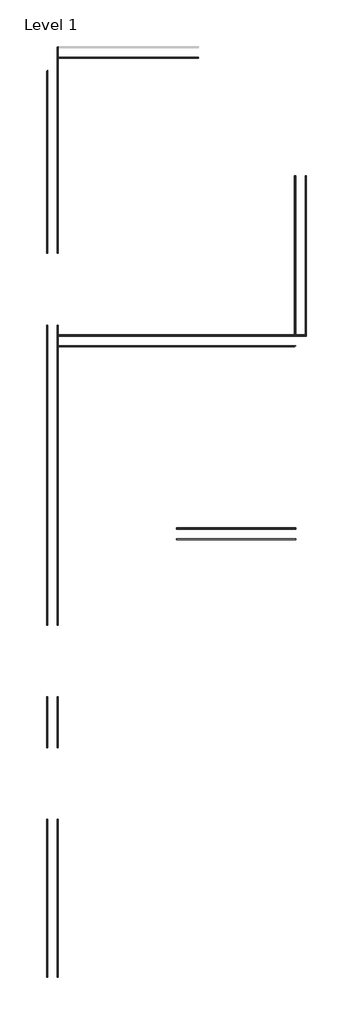
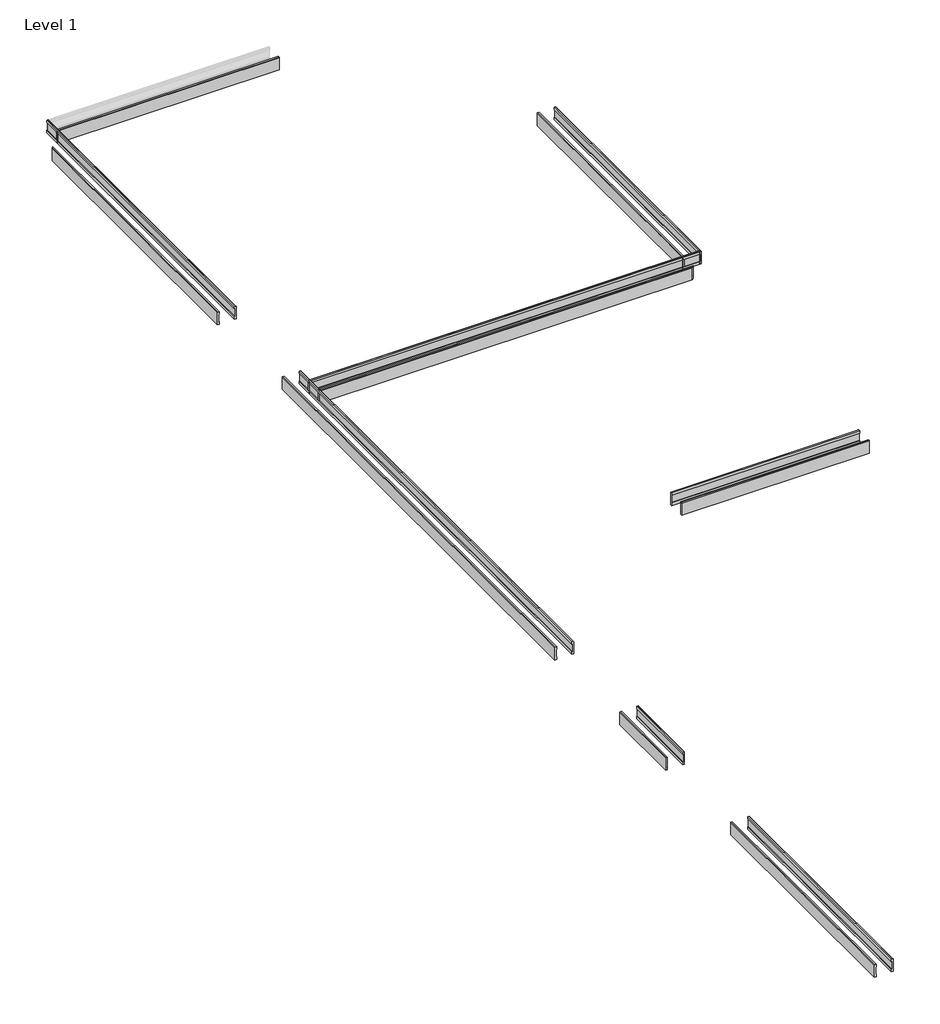
# One storey, part 30 of 51: 9 proxies.
"""IFC4 building model written with IfcOpenShell, lengths in millimetres."""

from ifc_helpers import new_model, si_unit, point, frame, frame_2d, origin, place, context, project, spatial, polyline, circle_curve, ellipse_curve, trimmed, segment, composite_curve, outline, extrude, element, save
from ifc_brep_helpers import plane_surface, cylinder_surface, advanced_brep

model = new_model("IFC4")

# Units and contexts
model_context = context("Model", 3, world=origin())
ifc_project = project(units=[si_unit("LENGTHUNIT", "METRE", prefix="MILLI")], contexts=[model_context])

# Site, building, storey
site = spatial("IfcSite", under=ifc_project)
building = spatial("IfcBuilding", under=site)
storey = spatial("IfcBuildingStorey", under=building, Name="Level 1", Elevation=0.0)

# Proxies
placement = place(None, origin())
element("IfcBuildingElementProxy", 1, Name="Wall Sweeps", at=placement, inside=storey, context=model_context, shape_type="AdvancedBrep", body=[
    advanced_brep(
    [(-27647.421516, -17232.9301669, 22.1801656), (-27644.0318125, -17232.9301669, 23.915644), (-27644.0318125, -17232.9301669, 85.828144), (-27647.421516, -17232.9301669, 87.5505545), (-27647.421516, -17232.9301669, 107.95), (-27636.309016, -17232.9301669, 107.95), (-27633.134016, -17232.9301669, 104.775), (-27633.134016, -17232.9301669, 0.0), (-27647.421516, -17232.9301669, 0.0), (-27647.421516, -17879.0426669, 22.1801656), (-27647.421516, -17879.0426669, 0.0), (-27633.134016, -17879.0426669, 0.0), (-27633.134016, -17879.0426669, 104.775), (-27636.309016, -17879.0426669, 107.95), (-27647.421516, -17879.0426669, 107.95), (-27647.421516, -17879.0426669, 87.5505545), (-27644.0318125, -17879.0426669, 85.828144), (-27644.0318125, -17879.0426669, 23.915644)],
    [
        (0, 1),
        (1, 2),
        (2, 3),
        (3, 4),
        (4, 5),
        (5, 6, circle_curve(frame((-27636.309016, -17232.9301669, 104.775), z_axis=(0.0, 1.0, 0.0), x_axis=(1.0, 0.0, 0.0)), 3.175)),
        (6, 7),
        (7, 8),
        (8, 0),
        (9, 10),
        (10, 11),
        (11, 12),
        (12, 13, circle_curve(frame((-27636.309016, -17879.0426669, 104.775), z_axis=(0.0, -1.0, 0.0), x_axis=(1.0, 0.0, 0.0)), 3.175)),
        (13, 14),
        (14, 15),
        (15, 16),
        (16, 17),
        (17, 9),
        (0, 9),
        (17, 1),
        (16, 2),
        (15, 3),
        (14, 4),
        (13, 5),
        (12, 6),
        (11, 7),
        (10, 8),
    ],
    [
        plane_surface(frame((-27755.9419756, -17232.9301669, 0.0), z_axis=(0.0, 1.0, 0.0), x_axis=(0.0, 0.0, -1.0))),
        plane_surface(frame((-27755.9419756, -17879.0426669, 0.0), z_axis=(0.0, -1.0, 0.0), x_axis=(0.0, 0.0, -1.0))),
        plane_surface(frame((-27647.421516, -17232.9301669, 22.1801656), z_axis=(-0.4557279043188856, 0.0, 0.8901191365346083), x_axis=(0.0, -1.0, 0.0))),
        plane_surface(frame((-27644.0318125, -17232.9301669, 23.915644), z_axis=(-1.0, 0.0, 0.0), x_axis=(0.0, -1.0, 0.0))),
        plane_surface(frame((-27644.0318125, -17232.9301669, 85.828144), z_axis=(-0.4530026868357818, 0.0, -0.8915091506650745), x_axis=(0.0, -1.0, 0.0))),
        plane_surface(frame((-27647.421516, -17232.9301669, 87.5505545), z_axis=(-1.0, 0.0, 0.0), x_axis=(0.0, -1.0, 0.0))),
        plane_surface(frame((-27647.421516, -17232.9301669, 107.95), z_axis=(0.0, 0.0, 1.0), x_axis=(0.0, -1.0, 0.0))),
        cylinder_surface(frame((-27636.309016, -17232.9301669, 104.775), z_axis=(0.0, 1.0, 0.0), x_axis=(1.0, 0.0, 0.0)), 3.175),
        plane_surface(frame((-27633.134016, -17232.9301669, 104.775), z_axis=(1.0, 0.0, 0.0), x_axis=(0.0, -1.0, 0.0))),
        plane_surface(frame((-27633.134016, -17232.9301669, 0.0), z_axis=(0.0, 0.0, -1.0), x_axis=(0.0, -1.0, 0.0))),
        plane_surface(frame((-27647.421516, -17232.9301669, 0.0), z_axis=(-1.0, 0.0, 0.0), x_axis=(0.0, -1.0, 0.0))),
    ],
    [
        (0, [[1, 2, 3, 4, 5, 6, 7, 8, 9]]),
        (1, [[10, 11, 12, 13, 14, 15, 16, 17, 18]]),
        (2, [[-1, 19, -18, 20]]),
        (3, [[-2, -20, -17, 21]]),
        (4, [[-3, -21, -16, 22]]),
        (5, [[-4, -22, -15, 23]]),
        (6, [[-5, -23, -14, 24]]),
        (7, [[-6, -24, -13, 25]]),
        (8, [[-7, -25, -12, 26]]),
        (9, [[-8, -26, -11, 27]]),
        (10, [[-9, -27, -10, -19]]),
    ],
),
    advanced_brep(
    [(-27647.421516, -18793.4426669, 22.1801656), (-27644.0318125, -18793.4426669, 23.915644), (-27644.0318125, -18793.4426669, 85.828144), (-27647.421516, -18793.4426669, 87.5505545), (-27647.421516, -18793.4426669, 107.95), (-27636.309016, -18793.4426669, 107.95), (-27633.134016, -18793.4426669, 104.775), (-27633.134016, -18793.4426669, 0.0), (-27647.421516, -18793.4426669, 0.0), (-27647.421516, -20814.3301669, 22.1801656), (-27647.421516, -20814.3301669, 0.0), (-27633.134016, -20814.3301669, 0.0), (-27633.134016, -20814.3301669, 104.775), (-27636.309016, -20814.3301669, 107.95), (-27647.421516, -20814.3301669, 107.95), (-27647.421516, -20814.3301669, 87.5505545), (-27644.0318125, -20814.3301669, 85.828144), (-27644.0318125, -20814.3301669, 23.915644)],
    [
        (0, 1),
        (1, 2),
        (2, 3),
        (3, 4),
        (4, 5),
        (5, 6, circle_curve(frame((-27636.309016, -18793.4426669, 104.775), z_axis=(0.0, 1.0, 0.0), x_axis=(1.0, 0.0, 0.0)), 3.175)),
        (6, 7),
        (7, 8),
        (8, 0),
        (9, 10),
        (10, 11),
        (11, 12),
        (12, 13, circle_curve(frame((-27636.309016, -20814.3301669, 104.775), z_axis=(0.0, -1.0, 0.0), x_axis=(1.0, 0.0, 0.0)), 3.175)),
        (13, 14),
        (14, 15),
        (15, 16),
        (16, 17),
        (17, 9),
        (0, 9),
        (17, 1),
        (16, 2),
        (15, 3),
        (14, 4),
        (13, 5),
        (12, 6),
        (11, 7),
        (10, 8),
    ],
    [
        plane_surface(frame((-27755.9419756, -18793.4426669, 0.0), z_axis=(0.0, 1.0, 0.0), x_axis=(0.0, 0.0, -1.0))),
        plane_surface(frame((-27755.9419756, -20814.3301669, 0.0), z_axis=(0.0, -1.0, 0.0), x_axis=(0.0, 0.0, -1.0))),
        plane_surface(frame((-27647.421516, -18793.4426669, 22.1801656), z_axis=(-0.4557279043188856, 0.0, 0.8901191365346083), x_axis=(0.0, -1.0, 0.0))),
        plane_surface(frame((-27644.0318125, -18793.4426669, 23.915644), z_axis=(-1.0, 0.0, 0.0), x_axis=(0.0, -1.0, 0.0))),
        plane_surface(frame((-27644.0318125, -18793.4426669, 85.828144), z_axis=(-0.4530026868357818, 0.0, -0.8915091506650745), x_axis=(0.0, -1.0, 0.0))),
        plane_surface(frame((-27647.421516, -18793.4426669, 87.5505545), z_axis=(-1.0, 0.0, 0.0), x_axis=(0.0, -1.0, 0.0))),
        plane_surface(frame((-27647.421516, -18793.4426669, 107.95), z_axis=(0.0, 0.0, 1.0), x_axis=(0.0, -1.0, 0.0))),
        cylinder_surface(frame((-27636.309016, -18793.4426669, 104.775), z_axis=(0.0, 1.0, 0.0), x_axis=(1.0, 0.0, 0.0)), 3.175),
        plane_surface(frame((-27633.134016, -18793.4426669, 104.775), z_axis=(1.0, 0.0, 0.0), x_axis=(0.0, -1.0, 0.0))),
        plane_surface(frame((-27633.134016, -18793.4426669, 0.0), z_axis=(0.0, 0.0, -1.0), x_axis=(0.0, -1.0, 0.0))),
        plane_surface(frame((-27647.421516, -18793.4426669, 0.0), z_axis=(-1.0, 0.0, 0.0), x_axis=(0.0, -1.0, 0.0))),
    ],
    [
        (0, [[1, 2, 3, 4, 5, 6, 7, 8, 9]]),
        (1, [[10, 11, 12, 13, 14, 15, 16, 17, 18]]),
        (2, [[-1, 19, -18, 20]]),
        (3, [[-2, -20, -17, 21]]),
        (4, [[-3, -21, -16, 22]]),
        (5, [[-4, -22, -15, 23]]),
        (6, [[-5, -23, -14, 24]]),
        (7, [[-6, -24, -13, 25]]),
        (8, [[-7, -25, -12, 26]]),
        (9, [[-8, -26, -11, 27]]),
        (10, [[-9, -27, -10, -19]]),
    ],
),
    advanced_brep(
    [(-27647.421516, -12483.1301669, 22.1801656), (-27644.0318125, -12483.1301669, 23.915644), (-27644.0318125, -12483.1301669, 85.828144), (-27647.421516, -12483.1301669, 87.5505545), (-27647.421516, -12483.1301669, 107.95), (-27636.309016, -12483.1301669, 107.95), (-27633.134016, -12483.1301669, 104.775), (-27633.134016, -12483.1301669, 0.0), (-27647.421516, -12483.1301669, 0.0), (-27647.421516, -16318.5301669, 22.1801656), (-27647.421516, -16318.5301669, 0.0), (-27633.134016, -16318.5301669, 0.0), (-27633.134016, -16318.5301669, 104.775), (-27636.309016, -16318.5301669, 107.95), (-27647.421516, -16318.5301669, 107.95), (-27647.421516, -16318.5301669, 87.5505545), (-27644.0318125, -16318.5301669, 85.828144), (-27644.0318125, -16318.5301669, 23.915644)],
    [
        (0, 1),
        (1, 2),
        (2, 3),
        (3, 4),
        (4, 5),
        (5, 6, circle_curve(frame((-27636.309016, -12483.1301669, 104.775), z_axis=(0.0, 1.0, 0.0), x_axis=(1.0, 0.0, 0.0)), 3.175)),
        (6, 7),
        (7, 8),
        (8, 0),
        (9, 10),
        (10, 11),
        (11, 12),
        (12, 13, circle_curve(frame((-27636.309016, -16318.5301669, 104.775), z_axis=(0.0, -1.0, 0.0), x_axis=(1.0, 0.0, 0.0)), 3.175)),
        (13, 14),
        (14, 15),
        (15, 16),
        (16, 17),
        (17, 9),
        (0, 9),
        (17, 1),
        (16, 2),
        (15, 3),
        (14, 4),
        (13, 5),
        (12, 6),
        (11, 7),
        (10, 8),
    ],
    [
        plane_surface(frame((-27755.9419756, -12483.1301669, 0.0), z_axis=(0.0, 1.0, 0.0), x_axis=(0.0, 0.0, -1.0))),
        plane_surface(frame((-27755.9419756, -16318.5301669, 0.0), z_axis=(0.0, -1.0, 0.0), x_axis=(0.0, 0.0, -1.0))),
        plane_surface(frame((-27647.421516, -12483.1301669, 22.1801656), z_axis=(-0.4557279043188856, 0.0, 0.8901191365346083), x_axis=(0.0, -1.0, 0.0))),
        plane_surface(frame((-27644.0318125, -12483.1301669, 23.915644), z_axis=(-1.0, 0.0, 0.0), x_axis=(0.0, -1.0, 0.0))),
        plane_surface(frame((-27644.0318125, -12483.1301669, 85.828144), z_axis=(-0.4530026868357818, 0.0, -0.8915091506650745), x_axis=(0.0, -1.0, 0.0))),
        plane_surface(frame((-27647.421516, -12483.1301669, 87.5505545), z_axis=(-1.0, 0.0, 0.0), x_axis=(0.0, -1.0, 0.0))),
        plane_surface(frame((-27647.421516, -12483.1301669, 107.95), z_axis=(0.0, 0.0, 1.0), x_axis=(0.0, -1.0, 0.0))),
        cylinder_surface(frame((-27636.309016, -12483.1301669, 104.775), z_axis=(0.0, 1.0, 0.0), x_axis=(1.0, 0.0, 0.0)), 3.175),
        plane_surface(frame((-27633.134016, -12483.1301669, 104.775), z_axis=(1.0, 0.0, 0.0), x_axis=(0.0, -1.0, 0.0))),
        plane_surface(frame((-27633.134016, -12483.1301669, 0.0), z_axis=(0.0, 0.0, -1.0), x_axis=(0.0, -1.0, 0.0))),
        plane_surface(frame((-27647.421516, -12483.1301669, 0.0), z_axis=(-1.0, 0.0, 0.0), x_axis=(0.0, -1.0, 0.0))),
    ],
    [
        (0, [[1, 2, 3, 4, 5, 6, 7, 8, 9]]),
        (1, [[10, 11, 12, 13, 14, 15, 16, 17, 18]]),
        (2, [[-1, 19, -18, 20]]),
        (3, [[-2, -20, -17, 21]]),
        (4, [[-3, -21, -16, 22]]),
        (5, [[-4, -22, -15, 23]]),
        (6, [[-5, -23, -14, 24]]),
        (7, [[-6, -24, -13, 25]]),
        (8, [[-7, -25, -12, 26]]),
        (9, [[-8, -26, -11, 27]]),
        (10, [[-9, -27, -10, -19]]),
    ],
),
    advanced_brep(
    [(-27647.421516, -8927.1301669, 22.1801656), (-27644.0318125, -8927.1301669, 23.915644), (-27644.0318125, -8927.1301669, 85.828144), (-27647.421516, -8927.1301669, 87.5505545), (-27647.421516, -8927.1301669, 107.95), (-27636.309016, -8927.1301669, 107.95), (-27633.134016, -8927.1301669, 104.775), (-27633.134016, -8927.1301669, 0.0), (-27647.421516, -8927.1301669, 0.0), (-27647.421516, -11568.7301669, 22.1801656), (-27647.421516, -11568.7301669, 0.0), (-27633.134016, -11568.7301669, 0.0), (-27633.134016, -11568.7301669, 104.775), (-27636.309016, -11568.7301669, 107.95), (-27647.421516, -11568.7301669, 107.95), (-27647.421516, -11568.7301669, 87.5505545), (-27644.0318125, -11568.7301669, 85.828144), (-27644.0318125, -11568.7301669, 23.915644), (-27647.421516, -9231.9301669, 0.0)],
    [
        (0, 1),
        (1, 2),
        (2, 3),
        (3, 4),
        (4, 5),
        (5, 6, circle_curve(frame((-27636.309016, -8927.1301669, 104.775), z_axis=(0.0, 1.0, 0.0), x_axis=(1.0, 0.0, 0.0)), 3.175)),
        (6, 7),
        (7, 8),
        (8, 0),
        (9, 10),
        (10, 11),
        (11, 12),
        (12, 13, circle_curve(frame((-27636.309016, -11568.7301669, 104.775), z_axis=(0.0, -1.0, 0.0), x_axis=(1.0, 0.0, 0.0)), 3.175)),
        (13, 14),
        (14, 15),
        (15, 16),
        (16, 17),
        (17, 9),
        (0, 9),
        (17, 1),
        (16, 2),
        (15, 3),
        (14, 4),
        (13, 5),
        (12, 6),
        (11, 7),
        (10, 18),
        (18, 8),
    ],
    [
        plane_surface(frame((-27755.9419756, -8927.1301669, 0.0), z_axis=(0.0, 1.0, 0.0), x_axis=(0.0, 0.0, -1.0))),
        plane_surface(frame((-27755.9419756, -11568.7301669, 0.0), z_axis=(0.0, -1.0, 0.0), x_axis=(0.0, 0.0, -1.0))),
        plane_surface(frame((-27647.421516, -8927.1301669, 22.1801656), z_axis=(-0.4557279043188856, 0.0, 0.8901191365346083), x_axis=(0.0, -1.0, 0.0))),
        plane_surface(frame((-27644.0318125, -8927.1301669, 23.915644), z_axis=(-1.0, 0.0, 0.0), x_axis=(0.0, -1.0, 0.0))),
        plane_surface(frame((-27644.0318125, -8927.1301669, 85.828144), z_axis=(-0.4530026868357818, 0.0, -0.8915091506650745), x_axis=(0.0, -1.0, 0.0))),
        plane_surface(frame((-27647.421516, -8927.1301669, 87.5505545), z_axis=(-1.0, 0.0, 0.0), x_axis=(0.0, -1.0, 0.0))),
        plane_surface(frame((-27647.421516, -8927.1301669, 107.95), z_axis=(0.0, 0.0, 1.0), x_axis=(0.0, -1.0, 0.0))),
        cylinder_surface(frame((-27636.309016, -8927.1301669, 104.775), z_axis=(0.0, 1.0, 0.0), x_axis=(1.0, 0.0, 0.0)), 3.175),
        plane_surface(frame((-27633.134016, -8927.1301669, 104.775), z_axis=(1.0, 0.0, 0.0), x_axis=(0.0, -1.0, 0.0))),
        plane_surface(frame((-27633.134016, -8927.1301669, 0.0), z_axis=(0.0, 0.0, -1.0), x_axis=(0.0, -1.0, 0.0))),
        plane_surface(frame((-27647.421516, -8927.1301669, 0.0), z_axis=(-1.0, 0.0, 0.0), x_axis=(0.0, -1.0, 0.0))),
    ],
    [
        (0, [[1, 2, 3, 4, 5, 6, 7, 8, 9]]),
        (1, [[10, 11, 12, 13, 14, 15, 16, 17, 18]]),
        (2, [[-1, 19, -18, 20]]),
        (3, [[-2, -20, -17, 21]]),
        (4, [[-3, -21, -16, 22]]),
        (5, [[-4, -22, -15, 23]]),
        (6, [[-5, -23, -14, 24]]),
        (7, [[-6, -24, -13, 25]]),
        (8, [[-7, -25, -12, 26]]),
        (9, [[-8, -26, -11, 27, 28]]),
        (10, [[-9, -28, -27, -10, -19]]),
    ],
),
])
element("IfcBuildingElementProxy", 2, Name="Wall Sweeps", at=placement, inside=storey, context=model_context, shape_type="AdvancedBrep", body=[
    advanced_brep(
    [(-24599.421516, -12748.2426669, 22.1801656), (-24602.8112195, -12751.6323704, 23.915644), (-24602.8112195, -12751.6323704, 85.828144), (-24599.421516, -12748.2426669, 87.5505545), (-24599.421516, -12748.2426669, 107.95), (-24610.534016, -12759.3551669, 107.95), (-24613.709016, -12762.5301669, 104.775), (-24613.709016, -12762.5301669, 0.0), (-24599.421516, -12748.2426669, 0.0), (-27647.421516, -12748.2426669, 22.1801656), (-27647.421516, -12748.2426669, 0.0), (-27647.421516, -12762.5301669, 0.0), (-27647.421516, -12762.5301669, 104.775), (-27647.421516, -12759.3551669, 107.95), (-27647.421516, -12748.2426669, 107.95), (-27647.421516, -12748.2426669, 87.5505545), (-27647.421516, -12751.6323704, 85.828144), (-27647.421516, -12751.6323704, 23.915644)],
    [
        (0, 1),
        (1, 2),
        (2, 3),
        (3, 4),
        (4, 5),
        (5, 6, ellipse_curve(frame((-24610.534016, -12759.3551669, 104.775), z_axis=(0.7071067811865298, -0.7071067811865653, 0.0), x_axis=(0.7071067811865652, 0.7071067811865298, 0.0)), 4.4901281, 3.175)),
        (6, 7),
        (7, 8),
        (8, 0),
        (9, 10),
        (10, 11),
        (11, 12),
        (12, 13, circle_curve(frame((-27647.421516, -12759.3551669, 104.775), z_axis=(-1.0, 0.0, 0.0), x_axis=(0.0, -1.0, 0.0)), 3.175)),
        (13, 14),
        (14, 15),
        (15, 16),
        (16, 17),
        (17, 9),
        (0, 9),
        (17, 1),
        (16, 2),
        (15, 3),
        (14, 4),
        (13, 5),
        (12, 6),
        (11, 7),
        (10, 8),
    ],
    [
        plane_surface(frame((-24599.421516, -12748.2426669, -304.8), z_axis=(0.7071067811865298, -0.7071067811865653, 0.0), x_axis=(-0.7071067811865653, -0.7071067811865298, 0.0))),
        plane_surface(frame((-27647.421516, -12748.2426669, -108.5204596), z_axis=(-1.0, 0.0, 0.0), x_axis=(0.0, -1.0, 0.0))),
        plane_surface(frame((-24599.421516, -12748.2426669, 22.1801656), z_axis=(0.0, 0.4557279043188856, 0.8901191365346083), x_axis=(-1.0, 0.0, 0.0))),
        plane_surface(frame((-24602.8112195, -12751.6323704, 23.915644), z_axis=(0.0, 1.0, 0.0), x_axis=(-1.0, 0.0, 0.0))),
        plane_surface(frame((-24602.8112195, -12751.6323704, 85.828144), z_axis=(0.0, 0.4530026868357818, -0.8915091506650745), x_axis=(-1.0, 0.0, 0.0))),
        plane_surface(frame((-24599.421516, -12748.2426669, 87.5505545), z_axis=(0.0, 1.0, 0.0), x_axis=(-1.0, 0.0, 0.0))),
        plane_surface(frame((-24599.421516, -12748.2426669, 107.95), z_axis=(0.0, 0.0, 1.0), x_axis=(-1.0, 0.0, 0.0))),
        cylinder_surface(frame((-24599.421516, -12759.3551669, 104.775), z_axis=(1.0, 0.0, 0.0), x_axis=(0.0, -1.0, 0.0)), 3.175),
        plane_surface(frame((-24613.709016, -12762.5301669, 104.775), z_axis=(0.0, -1.0, 0.0), x_axis=(-1.0, 0.0, 0.0))),
        plane_surface(frame((-24613.709016, -12762.5301669, 0.0), z_axis=(0.0, 0.0, -1.0), x_axis=(-1.0, 0.0, 0.0))),
        plane_surface(frame((-24599.421516, -12748.2426669, 0.0), z_axis=(0.0, 1.0, 0.0), x_axis=(-1.0, 0.0, 0.0))),
    ],
    [
        (0, [[1, 2, 3, 4, 5, 6, 7, 8, 9]]),
        (1, [[10, 11, 12, 13, 14, 15, 16, 17, 18]]),
        (2, [[-1, 19, -18, 20]]),
        (3, [[-2, -20, -17, 21]]),
        (4, [[-3, -21, -16, 22]]),
        (5, [[-4, -22, -15, 23]]),
        (6, [[-5, -23, -14, 24]]),
        (7, [[-6, -24, -13, 25]]),
        (8, [[-7, -25, -12, 26]]),
        (9, [[-8, -26, -11, 27]]),
        (10, [[-9, -27, -10, -19]]),
    ],
),
])
element("IfcBuildingElementProxy", 3, Name="Wall Sweeps", at=placement, inside=storey, context=model_context, shape_type="AdvancedBrep", body=[
    advanced_brep(
    [(-27771.246516, -12483.1301669, 22.1801656), (-27771.246516, -12483.1301669, 0.0), (-27785.534016, -12483.1301669, 0.0), (-27785.534016, -12483.1301669, 104.775), (-27782.359016, -12483.1301669, 107.95), (-27771.246516, -12483.1301669, 107.95), (-27771.246516, -12483.1301669, 87.5505545), (-27774.6362195, -12483.1301669, 85.828144), (-27774.6362195, -12483.1301669, 23.915644), (-27771.246516, -16318.5301669, 22.1801656), (-27774.6362195, -16318.5301669, 23.915644), (-27774.6362195, -16318.5301669, 85.828144), (-27771.246516, -16318.5301669, 87.5505545), (-27771.246516, -16318.5301669, 107.95), (-27782.359016, -16318.5301669, 107.95), (-27785.534016, -16318.5301669, 104.775), (-27785.534016, -16318.5301669, 0.0), (-27771.246516, -16318.5301669, 0.0)],
    [
        (0, 1),
        (1, 2),
        (2, 3),
        (3, 4, circle_curve(frame((-27782.359016, -12483.1301669, 104.775), z_axis=(0.0, 1.0, 0.0), x_axis=(-1.0, 0.0, 0.0)), 3.175)),
        (4, 5),
        (5, 6),
        (6, 7),
        (7, 8),
        (8, 0),
        (9, 10),
        (10, 11),
        (11, 12),
        (12, 13),
        (13, 14),
        (14, 15, circle_curve(frame((-27782.359016, -16318.5301669, 104.775), z_axis=(0.0, -1.0, 0.0), x_axis=(-1.0, 0.0, 0.0)), 3.175)),
        (15, 16),
        (16, 17),
        (17, 9),
        (0, 9),
        (17, 1),
        (16, 2),
        (15, 3),
        (14, 4),
        (13, 5),
        (12, 6),
        (11, 7),
        (10, 8),
    ],
    [
        plane_surface(frame((-27879.7669756, -12483.1301669, 0.0), z_axis=(0.0, 1.0, 0.0), x_axis=(0.0, 0.0, -1.0))),
        plane_surface(frame((-27879.7669756, -16318.5301669, 0.0), z_axis=(0.0, -1.0, 0.0), x_axis=(0.0, 0.0, -1.0))),
        plane_surface(frame((-27771.246516, -12483.1301669, 22.1801656), z_axis=(1.0, 0.0, 0.0), x_axis=(0.0, -1.0, 0.0))),
        plane_surface(frame((-27771.246516, -12483.1301669, 0.0), z_axis=(0.0, 0.0, -1.0), x_axis=(0.0, -1.0, 0.0))),
        plane_surface(frame((-27785.534016, -12483.1301669, 0.0), z_axis=(-1.0, 0.0, 0.0), x_axis=(0.0, -1.0, 0.0))),
        cylinder_surface(frame((-27782.359016, -12483.1301669, 104.775), z_axis=(0.0, 1.0, 0.0), x_axis=(-1.0, 0.0, 0.0)), 3.175),
        plane_surface(frame((-27782.359016, -12483.1301669, 107.95), z_axis=(0.0, 0.0, 1.0), x_axis=(0.0, -1.0, 0.0))),
        plane_surface(frame((-27771.246516, -12483.1301669, 107.95), z_axis=(1.0, 0.0, 0.0), x_axis=(0.0, -1.0, 0.0))),
        plane_surface(frame((-27771.246516, -12483.1301669, 87.5505545), z_axis=(0.4530026868357818, 0.0, -0.8915091506650745), x_axis=(0.0, -1.0, 0.0))),
        plane_surface(frame((-27774.6362195, -12483.1301669, 85.828144), z_axis=(1.0, 0.0, 0.0), x_axis=(0.0, -1.0, 0.0))),
        plane_surface(frame((-27774.6362195, -12483.1301669, 23.915644), z_axis=(0.4557279043188856, 0.0, 0.8901191365346083), x_axis=(0.0, -1.0, 0.0))),
    ],
    [
        (0, [[1, 2, 3, 4, 5, 6, 7, 8, 9]]),
        (1, [[10, 11, 12, 13, 14, 15, 16, 17, 18]]),
        (2, [[-1, 19, -18, 20]]),
        (3, [[-2, -20, -17, 21]]),
        (4, [[-3, -21, -16, 22]]),
        (5, [[-4, -22, -15, 23]]),
        (6, [[-5, -23, -14, 24]]),
        (7, [[-6, -24, -13, 25]]),
        (8, [[-7, -25, -12, 26]]),
        (9, [[-8, -26, -11, 27]]),
        (10, [[-9, -27, -10, -19]]),
    ],
),
    advanced_brep(
    [(-27771.246516, -9231.9301669, 22.1801656), (-27771.246516, -9231.9301669, 0.0), (-27785.534016, -9246.2176669, 0.0), (-27785.534016, -9246.2176669, 104.775), (-27782.359016, -9243.0426669, 107.95), (-27771.246516, -9231.9301669, 107.95), (-27771.246516, -9231.9301669, 87.5505545), (-27774.6362195, -9235.3198704, 85.828144), (-27774.6362195, -9235.3198704, 23.915644), (-27771.246516, -11568.7301669, 22.1801656), (-27774.6362195, -11568.7301669, 23.915644), (-27774.6362195, -11568.7301669, 85.828144), (-27771.246516, -11568.7301669, 87.5505545), (-27771.246516, -11568.7301669, 107.95), (-27782.359016, -11568.7301669, 107.95), (-27785.534016, -11568.7301669, 104.775), (-27785.534016, -11568.7301669, 0.0), (-27771.246516, -11568.7301669, 0.0)],
    [
        (0, 1),
        (1, 2),
        (2, 3),
        (3, 4, ellipse_curve(frame((-27782.359016, -9243.0426669, 104.775), z_axis=(-0.7071067811865405, 0.7071067811865547, 0.0), x_axis=(0.7071067811865548, 0.7071067811865402, 0.0)), 4.4901281, 3.175)),
        (4, 5),
        (5, 6),
        (6, 7),
        (7, 8),
        (8, 0),
        (9, 10),
        (10, 11),
        (11, 12),
        (12, 13),
        (13, 14),
        (14, 15, circle_curve(frame((-27782.359016, -11568.7301669, 104.775), z_axis=(0.0, -1.0, 0.0), x_axis=(-1.0, 0.0, 0.0)), 3.175)),
        (15, 16),
        (16, 17),
        (17, 9),
        (0, 9),
        (17, 1),
        (16, 2),
        (15, 3),
        (14, 4),
        (13, 5),
        (12, 6),
        (11, 7),
        (10, 8),
    ],
    [
        plane_surface(frame((-27771.246516, -9231.9301669, 304.8), z_axis=(-0.7071067811865405, 0.7071067811865547, 0.0), x_axis=(-0.7071067811865547, -0.7071067811865405, 0.0))),
        plane_surface(frame((-27879.7669756, -11568.7301669, 0.0), z_axis=(0.0, -1.0, 0.0), x_axis=(0.0, 0.0, -1.0))),
        plane_surface(frame((-27771.246516, -9231.9301669, 22.1801656), z_axis=(1.0, 0.0, 0.0), x_axis=(0.0, -1.0, 0.0))),
        plane_surface(frame((-27771.246516, -9231.9301669, 0.0), z_axis=(0.0, 0.0, -1.0), x_axis=(0.0, -1.0, 0.0))),
        plane_surface(frame((-27785.534016, -9246.2176669, 0.0), z_axis=(-1.0, 0.0, 0.0), x_axis=(0.0, -1.0, 0.0))),
        cylinder_surface(frame((-27782.359016, -9231.9301669, 104.775), z_axis=(0.0, 1.0, 0.0), x_axis=(-1.0, 0.0, 0.0)), 3.175),
        plane_surface(frame((-27782.359016, -9243.0426669, 107.95), z_axis=(0.0, 0.0, 1.0), x_axis=(0.0, -1.0, 0.0))),
        plane_surface(frame((-27771.246516, -9231.9301669, 107.95), z_axis=(1.0, 0.0, 0.0), x_axis=(0.0, -1.0, 0.0))),
        plane_surface(frame((-27771.246516, -9231.9301669, 87.5505545), z_axis=(0.4530026868357818, 0.0, -0.8915091506650745), x_axis=(0.0, -1.0, 0.0))),
        plane_surface(frame((-27774.6362195, -9235.3198704, 85.828144), z_axis=(1.0, 0.0, 0.0), x_axis=(0.0, -1.0, 0.0))),
        plane_surface(frame((-27774.6362195, -9235.3198704, 23.915644), z_axis=(0.4557279043188856, 0.0, 0.8901191365346083), x_axis=(0.0, -1.0, 0.0))),
    ],
    [
        (0, [[1, 2, 3, 4, 5, 6, 7, 8, 9]]),
        (1, [[10, 11, 12, 13, 14, 15, 16, 17, 18]]),
        (2, [[-1, 19, -18, 20]]),
        (3, [[-2, -20, -17, 21]]),
        (4, [[-3, -21, -16, 22]]),
        (5, [[-4, -22, -15, 23]]),
        (6, [[-5, -23, -14, 24]]),
        (7, [[-6, -24, -13, 25]]),
        (8, [[-7, -25, -12, 26]]),
        (9, [[-8, -26, -11, 27]]),
        (10, [[-9, -27, -10, -19]]),
    ],
),
    advanced_brep(
    [(-27771.246516, -17232.9301669, 22.1801656), (-27771.246516, -17232.9301669, 0.0), (-27785.534016, -17232.9301669, 0.0), (-27785.534016, -17232.9301669, 104.775), (-27782.359016, -17232.9301669, 107.95), (-27771.246516, -17232.9301669, 107.95), (-27771.246516, -17232.9301669, 87.5505545), (-27774.6362195, -17232.9301669, 85.828144), (-27774.6362195, -17232.9301669, 23.915644), (-27771.246516, -17879.0426669, 22.1801656), (-27774.6362195, -17879.0426669, 23.915644), (-27774.6362195, -17879.0426669, 85.828144), (-27771.246516, -17879.0426669, 87.5505545), (-27771.246516, -17879.0426669, 107.95), (-27782.359016, -17879.0426669, 107.95), (-27785.534016, -17879.0426669, 104.775), (-27785.534016, -17879.0426669, 0.0), (-27771.246516, -17879.0426669, 0.0)],
    [
        (0, 1),
        (1, 2),
        (2, 3),
        (3, 4, circle_curve(frame((-27782.359016, -17232.9301669, 104.775), z_axis=(0.0, 1.0, 0.0), x_axis=(-1.0, 0.0, 0.0)), 3.175)),
        (4, 5),
        (5, 6),
        (6, 7),
        (7, 8),
        (8, 0),
        (9, 10),
        (10, 11),
        (11, 12),
        (12, 13),
        (13, 14),
        (14, 15, circle_curve(frame((-27782.359016, -17879.0426669, 104.775), z_axis=(0.0, -1.0, 0.0), x_axis=(-1.0, 0.0, 0.0)), 3.175)),
        (15, 16),
        (16, 17),
        (17, 9),
        (0, 9),
        (17, 1),
        (16, 2),
        (15, 3),
        (14, 4),
        (13, 5),
        (12, 6),
        (11, 7),
        (10, 8),
    ],
    [
        plane_surface(frame((-27879.7669756, -17232.9301669, 0.0), z_axis=(0.0, 1.0, 0.0), x_axis=(0.0, 0.0, -1.0))),
        plane_surface(frame((-27879.7669756, -17879.0426669, 0.0), z_axis=(0.0, -1.0, 0.0), x_axis=(0.0, 0.0, -1.0))),
        plane_surface(frame((-27771.246516, -17232.9301669, 22.1801656), z_axis=(1.0, 0.0, 0.0), x_axis=(0.0, -1.0, 0.0))),
        plane_surface(frame((-27771.246516, -17232.9301669, 0.0), z_axis=(0.0, 0.0, -1.0), x_axis=(0.0, -1.0, 0.0))),
        plane_surface(frame((-27785.534016, -17232.9301669, 0.0), z_axis=(-1.0, 0.0, 0.0), x_axis=(0.0, -1.0, 0.0))),
        cylinder_surface(frame((-27782.359016, -17232.9301669, 104.775), z_axis=(0.0, 1.0, 0.0), x_axis=(-1.0, 0.0, 0.0)), 3.175),
        plane_surface(frame((-27782.359016, -17232.9301669, 107.95), z_axis=(0.0, 0.0, 1.0), x_axis=(0.0, -1.0, 0.0))),
        plane_surface(frame((-27771.246516, -17232.9301669, 107.95), z_axis=(1.0, 0.0, 0.0), x_axis=(0.0, -1.0, 0.0))),
        plane_surface(frame((-27771.246516, -17232.9301669, 87.5505545), z_axis=(0.4530026868357818, 0.0, -0.8915091506650745), x_axis=(0.0, -1.0, 0.0))),
        plane_surface(frame((-27774.6362195, -17232.9301669, 85.828144), z_axis=(1.0, 0.0, 0.0), x_axis=(0.0, -1.0, 0.0))),
        plane_surface(frame((-27774.6362195, -17232.9301669, 23.915644), z_axis=(0.4557279043188856, 0.0, 0.8901191365346083), x_axis=(0.0, -1.0, 0.0))),
    ],
    [
        (0, [[1, 2, 3, 4, 5, 6, 7, 8, 9]]),
        (1, [[10, 11, 12, 13, 14, 15, 16, 17, 18]]),
        (2, [[-1, 19, -18, 20]]),
        (3, [[-2, -20, -17, 21]]),
        (4, [[-3, -21, -16, 22]]),
        (5, [[-4, -22, -15, 23]]),
        (6, [[-5, -23, -14, 24]]),
        (7, [[-6, -24, -13, 25]]),
        (8, [[-7, -25, -12, 26]]),
        (9, [[-8, -26, -11, 27]]),
        (10, [[-9, -27, -10, -19]]),
    ],
),
    advanced_brep(
    [(-27771.246516, -18793.4426669, 22.1801656), (-27771.246516, -18793.4426669, 0.0), (-27785.534016, -18793.4426669, 0.0), (-27785.534016, -18793.4426669, 104.775), (-27782.359016, -18793.4426669, 107.95), (-27771.246516, -18793.4426669, 107.95), (-27771.246516, -18793.4426669, 87.5505545), (-27774.6362195, -18793.4426669, 85.828144), (-27774.6362195, -18793.4426669, 23.915644), (-27771.246516, -20814.3301669, 22.1801656), (-27774.6362195, -20814.3301669, 23.915644), (-27774.6362195, -20814.3301669, 85.828144), (-27771.246516, -20814.3301669, 87.5505545), (-27771.246516, -20814.3301669, 107.95), (-27782.359016, -20814.3301669, 107.95), (-27785.534016, -20814.3301669, 104.775), (-27785.534016, -20814.3301669, 0.0), (-27771.246516, -20814.3301669, 0.0)],
    [
        (0, 1),
        (1, 2),
        (2, 3),
        (3, 4, circle_curve(frame((-27782.359016, -18793.4426669, 104.775), z_axis=(0.0, 1.0, 0.0), x_axis=(-1.0, 0.0, 0.0)), 3.175)),
        (4, 5),
        (5, 6),
        (6, 7),
        (7, 8),
        (8, 0),
        (9, 10),
        (10, 11),
        (11, 12),
        (12, 13),
        (13, 14),
        (14, 15, circle_curve(frame((-27782.359016, -20814.3301669, 104.775), z_axis=(0.0, -1.0, 0.0), x_axis=(-1.0, 0.0, 0.0)), 3.175)),
        (15, 16),
        (16, 17),
        (17, 9),
        (0, 9),
        (17, 1),
        (16, 2),
        (15, 3),
        (14, 4),
        (13, 5),
        (12, 6),
        (11, 7),
        (10, 8),
    ],
    [
        plane_surface(frame((-27879.7669756, -18793.4426669, 0.0), z_axis=(0.0, 1.0, 0.0), x_axis=(0.0, 0.0, -1.0))),
        plane_surface(frame((-27879.7669756, -20814.3301669, 0.0), z_axis=(0.0, -1.0, 0.0), x_axis=(0.0, 0.0, -1.0))),
        plane_surface(frame((-27771.246516, -18793.4426669, 22.1801656), z_axis=(1.0, 0.0, 0.0), x_axis=(0.0, -1.0, 0.0))),
        plane_surface(frame((-27771.246516, -18793.4426669, 0.0), z_axis=(0.0, 0.0, -1.0), x_axis=(0.0, -1.0, 0.0))),
        plane_surface(frame((-27785.534016, -18793.4426669, 0.0), z_axis=(-1.0, 0.0, 0.0), x_axis=(0.0, -1.0, 0.0))),
        cylinder_surface(frame((-27782.359016, -18793.4426669, 104.775), z_axis=(0.0, 1.0, 0.0), x_axis=(-1.0, 0.0, 0.0)), 3.175),
        plane_surface(frame((-27782.359016, -18793.4426669, 107.95), z_axis=(0.0, 0.0, 1.0), x_axis=(0.0, -1.0, 0.0))),
        plane_surface(frame((-27771.246516, -18793.4426669, 107.95), z_axis=(1.0, 0.0, 0.0), x_axis=(0.0, -1.0, 0.0))),
        plane_surface(frame((-27771.246516, -18793.4426669, 87.5505545), z_axis=(0.4530026868357818, 0.0, -0.8915091506650745), x_axis=(0.0, -1.0, 0.0))),
        plane_surface(frame((-27774.6362195, -18793.4426669, 85.828144), z_axis=(1.0, 0.0, 0.0), x_axis=(0.0, -1.0, 0.0))),
        plane_surface(frame((-27774.6362195, -18793.4426669, 23.915644), z_axis=(0.4557279043188856, 0.0, 0.8901191365346083), x_axis=(0.0, -1.0, 0.0))),
    ],
    [
        (0, [[1, 2, 3, 4, 5, 6, 7, 8, 9]]),
        (1, [[10, 11, 12, 13, 14, 15, 16, 17, 18]]),
        (2, [[-1, 19, -18, 20]]),
        (3, [[-2, -20, -17, 21]]),
        (4, [[-3, -21, -16, 22]]),
        (5, [[-4, -22, -15, 23]]),
        (6, [[-5, -23, -14, 24]]),
        (7, [[-6, -24, -13, 25]]),
        (8, [[-7, -25, -12, 26]]),
        (9, [[-8, -26, -11, 27]]),
        (10, [[-9, -27, -10, -19]]),
    ],
),
])
element("IfcBuildingElementProxy", 4, Name="Wall Sweeps", at=placement, inside=storey, context=model_context, shape_type="AdvancedBrep", body=[
    advanced_brep(
    [(-24475.596516, -12624.4176669, 22.1801656), (-24475.596516, -12624.4176669, 0.0), (-24461.309016, -12610.1301669, 0.0), (-24461.309016, -12610.1301669, 104.775), (-24464.484016, -12613.3051669, 107.95), (-24475.596516, -12624.4176669, 107.95), (-24475.596516, -12624.4176669, 87.5505545), (-24472.2068125, -12621.0279634, 85.828144), (-24472.2068125, -12621.0279634, 23.915644), (-27647.421516, -12624.4176669, 22.1801656), (-27647.421516, -12621.0279634, 23.915644), (-27647.421516, -12621.0279634, 85.828144), (-27647.421516, -12624.4176669, 87.5505545), (-27647.421516, -12624.4176669, 107.95), (-27647.421516, -12613.3051669, 107.95), (-27647.421516, -12610.1301669, 104.775), (-27647.421516, -12610.1301669, 0.0), (-27647.421516, -12624.4176669, 0.0), (-24599.421516, -12624.4176669, 0.0)],
    [
        (0, 1),
        (1, 2),
        (2, 3),
        (3, 4, ellipse_curve(frame((-24464.484016, -12613.3051669, 104.775), z_axis=(0.7071067811865298, -0.7071067811865653, 0.0), x_axis=(0.7071067811865652, 0.7071067811865298, 0.0)), 4.4901281, 3.175)),
        (4, 5),
        (5, 6),
        (6, 7),
        (7, 8),
        (8, 0),
        (9, 10),
        (10, 11),
        (11, 12),
        (12, 13),
        (13, 14),
        (14, 15, circle_curve(frame((-27647.421516, -12613.3051669, 104.775), z_axis=(-1.0, 0.0, 0.0), x_axis=(0.0, 1.0, 0.0)), 3.175)),
        (15, 16),
        (16, 17),
        (17, 9),
        (0, 9),
        (17, 18),
        (18, 1),
        (16, 2),
        (15, 3),
        (14, 4),
        (13, 5),
        (12, 6),
        (11, 7),
        (10, 8),
    ],
    [
        plane_surface(frame((-24475.596516, -12624.4176669, -304.8), z_axis=(0.7071067811865298, -0.7071067811865653, 0.0), x_axis=(-0.7071067811865653, -0.7071067811865298, 0.0))),
        plane_surface(frame((-27647.421516, -12624.4176669, -108.5204596), z_axis=(-1.0, 0.0, 0.0), x_axis=(0.0, -1.0, 0.0))),
        plane_surface(frame((-24475.596516, -12624.4176669, 22.1801656), z_axis=(0.0, -1.0, 0.0), x_axis=(-1.0, 0.0, 0.0))),
        plane_surface(frame((-24475.596516, -12624.4176669, 0.0), z_axis=(0.0, 0.0, -1.0), x_axis=(-1.0, 0.0, 0.0))),
        plane_surface(frame((-24461.309016, -12610.1301669, 0.0), z_axis=(0.0, 1.0, 0.0), x_axis=(-1.0, 0.0, 0.0))),
        cylinder_surface(frame((-24475.596516, -12613.3051669, 104.775), z_axis=(1.0, 0.0, 0.0), x_axis=(0.0, 1.0, 0.0)), 3.175),
        plane_surface(frame((-24464.484016, -12613.3051669, 107.95), z_axis=(0.0, 0.0, 1.0), x_axis=(-1.0, 0.0, 0.0))),
        plane_surface(frame((-24475.596516, -12624.4176669, 107.95), z_axis=(0.0, -1.0, 0.0), x_axis=(-1.0, 0.0, 0.0))),
        plane_surface(frame((-24475.596516, -12624.4176669, 87.5505545), z_axis=(0.0, -0.4530026868357818, -0.8915091506650745), x_axis=(-1.0, 0.0, 0.0))),
        plane_surface(frame((-24472.2068125, -12621.0279634, 85.828144), z_axis=(0.0, -1.0, 0.0), x_axis=(-1.0, 0.0, 0.0))),
        plane_surface(frame((-24472.2068125, -12621.0279634, 23.915644), z_axis=(0.0, -0.4557279043188856, 0.8901191365346083), x_axis=(-1.0, 0.0, 0.0))),
    ],
    [
        (0, [[1, 2, 3, 4, 5, 6, 7, 8, 9]]),
        (1, [[10, 11, 12, 13, 14, 15, 16, 17, 18]]),
        (2, [[-1, 19, -18, 20, 21]]),
        (3, [[-2, -21, -20, -17, 22]]),
        (4, [[-3, -22, -16, 23]]),
        (5, [[-4, -23, -15, 24]]),
        (6, [[-5, -24, -14, 25]]),
        (7, [[-6, -25, -13, 26]]),
        (8, [[-7, -26, -12, 27]]),
        (9, [[-8, -27, -11, 28]]),
        (10, [[-9, -28, -10, -19]]),
    ],
),
])
element("IfcBuildingElementProxy", 5, Name="Wall Sweeps", at=placement, inside=storey, context=model_context, shape_type="AdvancedBrep", body=[
    advanced_brep(
    [(-24599.421516, -12624.4176669, 22.1801656), (-24602.8112195, -12624.4176669, 23.915644), (-24602.8112195, -12624.4176669, 85.828144), (-24599.421516, -12624.4176669, 87.5505545), (-24599.421516, -12624.4176669, 107.95), (-24610.534016, -12624.4176669, 107.95), (-24613.709016, -12624.4176669, 104.775), (-24613.709016, -12624.4176669, 0.0), (-24599.421516, -12624.4176669, 0.0), (-24599.421516, -10578.1301669, 22.1801656), (-24599.421516, -10578.1301669, 0.0), (-24613.709016, -10578.1301669, 0.0), (-24613.709016, -10578.1301669, 104.775), (-24610.534016, -10578.1301669, 107.95), (-24599.421516, -10578.1301669, 107.95), (-24599.421516, -10578.1301669, 87.5505545), (-24602.8112195, -10578.1301669, 85.828144), (-24602.8112195, -10578.1301669, 23.915644), (-24599.421516, -12610.1301669, 0.0)],
    [
        (0, 1),
        (1, 2),
        (2, 3),
        (3, 4),
        (4, 5),
        (5, 6, circle_curve(frame((-24610.534016, -12624.4176669, 104.775), z_axis=(0.0, -1.0, 0.0), x_axis=(-1.0, 0.0, 0.0)), 3.175)),
        (6, 7),
        (7, 8),
        (8, 0),
        (9, 10),
        (10, 11),
        (11, 12),
        (12, 13, circle_curve(frame((-24610.534016, -10578.1301669, 104.775), z_axis=(0.0, 1.0, 0.0), x_axis=(-1.0, 0.0, 0.0)), 3.175)),
        (13, 14),
        (14, 15),
        (15, 16),
        (16, 17),
        (17, 9),
        (0, 9),
        (17, 1),
        (16, 2),
        (15, 3),
        (14, 4),
        (13, 5),
        (12, 6),
        (11, 7),
        (10, 18),
        (18, 8),
    ],
    [
        plane_surface(frame((-24707.9419756, -12624.4176669, 0.0), z_axis=(0.0, -1.0, 0.0), x_axis=(0.0, 0.0, 1.0))),
        plane_surface(frame((-24707.9419756, -10578.1301669, 0.0), z_axis=(0.0, 1.0, 0.0), x_axis=(0.0, 0.0, 1.0))),
        plane_surface(frame((-24599.421516, -12624.4176669, 22.1801656), z_axis=(0.4557279043188856, 0.0, 0.8901191365346083), x_axis=(0.0, 1.0, 0.0))),
        plane_surface(frame((-24602.8112195, -12624.4176669, 23.915644), z_axis=(1.0, 0.0, 0.0), x_axis=(0.0, 1.0, 0.0))),
        plane_surface(frame((-24602.8112195, -12624.4176669, 85.828144), z_axis=(0.4530026868357818, 0.0, -0.8915091506650745), x_axis=(0.0, 1.0, 0.0))),
        plane_surface(frame((-24599.421516, -12624.4176669, 87.5505545), z_axis=(1.0, 0.0, 0.0), x_axis=(0.0, 1.0, 0.0))),
        plane_surface(frame((-24599.421516, -12624.4176669, 107.95), z_axis=(0.0, 0.0, 1.0), x_axis=(0.0, 1.0, 0.0))),
        cylinder_surface(frame((-24610.534016, -12624.4176669, 104.775), z_axis=(0.0, -1.0, 0.0), x_axis=(-1.0, 0.0, 0.0)), 3.175),
        plane_surface(frame((-24613.709016, -12624.4176669, 104.775), z_axis=(-1.0, 0.0, 0.0), x_axis=(0.0, 1.0, 0.0))),
        plane_surface(frame((-24613.709016, -12624.4176669, 0.0), z_axis=(0.0, 0.0, -1.0), x_axis=(0.0, 1.0, 0.0))),
        plane_surface(frame((-24599.421516, -12624.4176669, 0.0), z_axis=(1.0, 0.0, 0.0), x_axis=(0.0, 1.0, 0.0))),
    ],
    [
        (0, [[1, 2, 3, 4, 5, 6, 7, 8, 9]]),
        (1, [[10, 11, 12, 13, 14, 15, 16, 17, 18]]),
        (2, [[-1, 19, -18, 20]]),
        (3, [[-2, -20, -17, 21]]),
        (4, [[-3, -21, -16, 22]]),
        (5, [[-4, -22, -15, 23]]),
        (6, [[-5, -23, -14, 24]]),
        (7, [[-6, -24, -13, 25]]),
        (8, [[-7, -25, -12, 26]]),
        (9, [[-8, -26, -11, 27, 28]]),
        (10, [[-9, -28, -27, -10, -19]]),
    ],
),
])
element("IfcBuildingElementProxy", 6, Name="Wall Sweeps", at=placement, inside=storey, context=model_context, shape_type="AdvancedBrep", body=[
    advanced_brep(
    [(-24475.596516, -12624.4176669, 22.1801656), (-24475.596516, -12624.4176669, 0.0), (-24461.309016, -12624.4176669, 0.0), (-24461.309016, -12624.4176669, 104.775), (-24464.484016, -12624.4176669, 107.95), (-24475.596516, -12624.4176669, 107.95), (-24475.596516, -12624.4176669, 87.5505545), (-24472.2068125, -12624.4176669, 85.828144), (-24472.2068125, -12624.4176669, 23.915644), (-24475.596516, -10578.1301669, 22.1801656), (-24472.2068125, -10578.1301669, 23.915644), (-24472.2068125, -10578.1301669, 85.828144), (-24475.596516, -10578.1301669, 87.5505545), (-24475.596516, -10578.1301669, 107.95), (-24464.484016, -10578.1301669, 107.95), (-24461.309016, -10578.1301669, 104.775), (-24461.309016, -10578.1301669, 0.0), (-24475.596516, -10578.1301669, 0.0), (-24475.596516, -12610.1301669, 0.0)],
    [
        (0, 1),
        (1, 2),
        (2, 3),
        (3, 4, circle_curve(frame((-24464.484016, -12624.4176669, 104.775), z_axis=(0.0, -1.0, 0.0), x_axis=(1.0, 0.0, 0.0)), 3.175)),
        (4, 5),
        (5, 6),
        (6, 7),
        (7, 8),
        (8, 0),
        (9, 10),
        (10, 11),
        (11, 12),
        (12, 13),
        (13, 14),
        (14, 15, circle_curve(frame((-24464.484016, -10578.1301669, 104.775), z_axis=(0.0, 1.0, 0.0), x_axis=(1.0, 0.0, 0.0)), 3.175)),
        (15, 16),
        (16, 17),
        (17, 9),
        (0, 9),
        (17, 18),
        (18, 1),
        (16, 2),
        (15, 3),
        (14, 4),
        (13, 5),
        (12, 6),
        (11, 7),
        (10, 8),
    ],
    [
        plane_surface(frame((-24475.596516, -12624.4176669, 304.8), z_axis=(0.0, -1.0, 0.0), x_axis=(1.0, 0.0, 0.0))),
        plane_surface(frame((-24584.1169756, -10578.1301669, 0.0), z_axis=(0.0, 1.0, 0.0), x_axis=(0.0, 0.0, 1.0))),
        plane_surface(frame((-24475.596516, -12624.4176669, 22.1801656), z_axis=(-1.0, 0.0, 0.0), x_axis=(0.0, 1.0, 0.0))),
        plane_surface(frame((-24475.596516, -12624.4176669, 0.0), z_axis=(0.0, 0.0, -1.0), x_axis=(0.0, 1.0, 0.0))),
        plane_surface(frame((-24461.309016, -12624.4176669, 0.0), z_axis=(1.0, 0.0, 0.0), x_axis=(0.0, 1.0, 0.0))),
        cylinder_surface(frame((-24464.484016, -12624.4176669, 104.775), z_axis=(0.0, -1.0, 0.0), x_axis=(1.0, 0.0, 0.0)), 3.175),
        plane_surface(frame((-24464.484016, -12624.4176669, 107.95), z_axis=(0.0, 0.0, 1.0), x_axis=(0.0, 1.0, 0.0))),
        plane_surface(frame((-24475.596516, -12624.4176669, 107.95), z_axis=(-1.0, 0.0, 0.0), x_axis=(0.0, 1.0, 0.0))),
        plane_surface(frame((-24475.596516, -12624.4176669, 87.5505545), z_axis=(-0.4530026868357818, 0.0, -0.8915091506650745), x_axis=(0.0, 1.0, 0.0))),
        plane_surface(frame((-24472.2068125, -12624.4176669, 85.828144), z_axis=(-1.0, 0.0, 0.0), x_axis=(0.0, 1.0, 0.0))),
        plane_surface(frame((-24472.2068125, -12624.4176669, 23.915644), z_axis=(-0.4557279043188856, 0.0, 0.8901191365346083), x_axis=(0.0, 1.0, 0.0))),
    ],
    [
        (0, [[1, 2, 3, 4, 5, 6, 7, 8, 9]]),
        (1, [[10, 11, 12, 13, 14, 15, 16, 17, 18]]),
        (2, [[-1, 19, -18, 20, 21]]),
        (3, [[-2, -21, -20, -17, 22]]),
        (4, [[-3, -22, -16, 23]]),
        (5, [[-4, -23, -15, 24]]),
        (6, [[-5, -24, -14, 25]]),
        (7, [[-6, -25, -13, 26]]),
        (8, [[-7, -26, -12, 27]]),
        (9, [[-8, -27, -11, 28]]),
        (10, [[-9, -28, -10, -19]]),
    ],
),
])
element("IfcBuildingElementProxy", 7, Name="Wall Sweeps", at=placement, inside=storey, context=model_context, shape_type="AdvancedBrep", body=[
    advanced_brep(
    [(-27647.421516, -9065.2426669, 22.1801656), (-27647.421516, -9065.2426669, 0.0), (-27647.421516, -9079.5301669, 0.0), (-27647.421516, -9079.5301669, 104.775), (-27647.421516, -9076.3551669, 107.95), (-27647.421516, -9065.2426669, 107.95), (-27647.421516, -9065.2426669, 87.5505545), (-27647.421516, -9068.6323704, 85.828144), (-27647.421516, -9068.6323704, 23.915644), (-25844.021516, -9065.2426669, 22.1801656), (-25844.021516, -9068.6323704, 23.915644), (-25844.021516, -9068.6323704, 85.828144), (-25844.021516, -9065.2426669, 87.5505545), (-25844.021516, -9065.2426669, 107.95), (-25844.021516, -9076.3551669, 107.95), (-25844.021516, -9079.5301669, 104.775), (-25844.021516, -9079.5301669, 0.0), (-25844.021516, -9065.2426669, 0.0), (-27633.134016, -9065.2426669, 0.0)],
    [
        (0, 1),
        (1, 2),
        (2, 3),
        (3, 4, circle_curve(frame((-27647.421516, -9076.3551669, 104.775), z_axis=(-1.0, 0.0, 0.0), x_axis=(0.0, -1.0, 0.0)), 3.175)),
        (4, 5),
        (5, 6),
        (6, 7),
        (7, 8),
        (8, 0),
        (9, 10),
        (10, 11),
        (11, 12),
        (12, 13),
        (13, 14),
        (14, 15, circle_curve(frame((-25844.021516, -9076.3551669, 104.775), z_axis=(1.0, 0.0, 0.0), x_axis=(0.0, -1.0, 0.0)), 3.175)),
        (15, 16),
        (16, 17),
        (17, 9),
        (0, 9),
        (17, 18),
        (18, 1),
        (16, 2),
        (15, 3),
        (14, 4),
        (13, 5),
        (12, 6),
        (11, 7),
        (10, 8),
    ],
    [
        plane_surface(frame((-27647.421516, -9065.2426669, -108.5204596), z_axis=(-1.0, 0.0, 0.0), x_axis=(0.0, 1.0, 0.0))),
        plane_surface(frame((-25844.021516, -9065.2426669, -108.5204596), z_axis=(1.0, 0.0, 0.0), x_axis=(0.0, 1.0, 0.0))),
        plane_surface(frame((-27647.421516, -9065.2426669, 22.1801656), z_axis=(0.0, 1.0, 0.0), x_axis=(1.0, 0.0, 0.0))),
        plane_surface(frame((-27647.421516, -9065.2426669, 0.0), z_axis=(0.0, 0.0, -1.0), x_axis=(1.0, 0.0, 0.0))),
        plane_surface(frame((-27647.421516, -9079.5301669, 0.0), z_axis=(0.0, -1.0, 0.0), x_axis=(1.0, 0.0, 0.0))),
        cylinder_surface(frame((-27647.421516, -9076.3551669, 104.775), z_axis=(-1.0, 0.0, 0.0), x_axis=(0.0, -1.0, 0.0)), 3.175),
        plane_surface(frame((-27647.421516, -9076.3551669, 107.95), z_axis=(0.0, 0.0, 1.0), x_axis=(1.0, 0.0, 0.0))),
        plane_surface(frame((-27647.421516, -9065.2426669, 107.95), z_axis=(0.0, 1.0, 0.0), x_axis=(1.0, 0.0, 0.0))),
        plane_surface(frame((-27647.421516, -9065.2426669, 87.5505545), z_axis=(0.0, 0.4530026868357818, -0.8915091506650745), x_axis=(1.0, 0.0, 0.0))),
        plane_surface(frame((-27647.421516, -9068.6323704, 85.828144), z_axis=(0.0, 1.0, 0.0), x_axis=(1.0, 0.0, 0.0))),
        plane_surface(frame((-27647.421516, -9068.6323704, 23.915644), z_axis=(0.0, 0.4557279043188856, 0.8901191365346083), x_axis=(1.0, 0.0, 0.0))),
    ],
    [
        (0, [[1, 2, 3, 4, 5, 6, 7, 8, 9]]),
        (1, [[10, 11, 12, 13, 14, 15, 16, 17, 18]]),
        (2, [[-1, 19, -18, 20, 21]]),
        (3, [[-2, -21, -20, -17, 22]]),
        (4, [[-3, -22, -16, 23]]),
        (5, [[-4, -23, -15, 24]]),
        (6, [[-5, -24, -14, 25]]),
        (7, [[-6, -25, -13, 26]]),
        (8, [[-7, -26, -12, 27]]),
        (9, [[-8, -27, -11, 28]]),
        (10, [[-9, -28, -10, -19]]),
    ],
),
])
element("IfcBuildingElementProxy", 8, Name="Wall Sweeps", at=placement, inside=storey, context=model_context, shape_type="SweptSolid", body=[
    extrude(outline(composite_curve([segment(polyline([(-15212.0426669, 22.1801656), (-15212.0426669, 0.0), (-15226.3301669, 0.0), (-15226.3301669, 104.775)]), True, "CONTINUOUS"), segment(trimmed(circle_curve(frame_2d((-15223.1551669, 104.775)), 3.175), [point((-15226.3301669, 104.775))], [point((-15223.1551669, 107.95))], False, "CARTESIAN"), True, "CONTINUOUS"), segment(polyline([(-15223.1551669, 107.95), (-15212.0426669, 107.95), (-15212.0426669, 87.5505545), (-15215.4323704, 85.828144), (-15215.4323704, 23.915644), (-15212.0426669, 22.1801656)]), True, "CONTINUOUS")], self_intersect=False)), frame((-26125.009016, 0.0, 0.0), z_axis=(1.0, 0.0, 0.0), x_axis=(0.0, 1.0, 0.0)), (0.0, 0.0, 1.0), 1525.5875),
])
element("IfcBuildingElementProxy", 9, Name="Wall Sweeps", at=placement, inside=storey, context=model_context, shape_type="SweptSolid", body=[
    extrude(outline(composite_curve([segment(polyline([(-15088.2176669, 22.1801656), (-15084.8279634, 23.915644), (-15084.8279634, 85.828144), (-15088.2176669, 87.5505545), (-15088.2176669, 107.95), (-15077.1051669, 107.95)]), True, "CONTINUOUS"), segment(trimmed(circle_curve(frame_2d((-15077.1051669, 104.775)), 3.175), [point((-15077.1051669, 107.95))], [point((-15073.9301669, 104.775))], False, "CARTESIAN"), True, "CONTINUOUS"), segment(polyline([(-15073.9301669, 104.775), (-15073.9301669, 0.0), (-15088.2176669, 0.0), (-15088.2176669, 22.1801656)]), True, "CONTINUOUS")], self_intersect=False)), frame((-26125.009016, 0.0, 0.0), z_axis=(1.0, 0.0, 0.0), x_axis=(0.0, 1.0, 0.0)), (0.0, 0.0, 1.0), 1525.5875),
])

save(model, "model.ifc")
